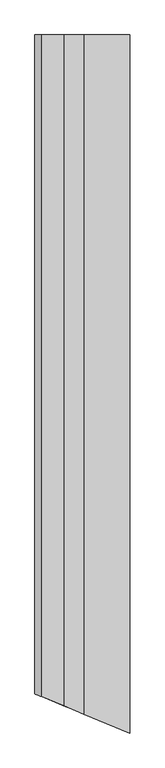
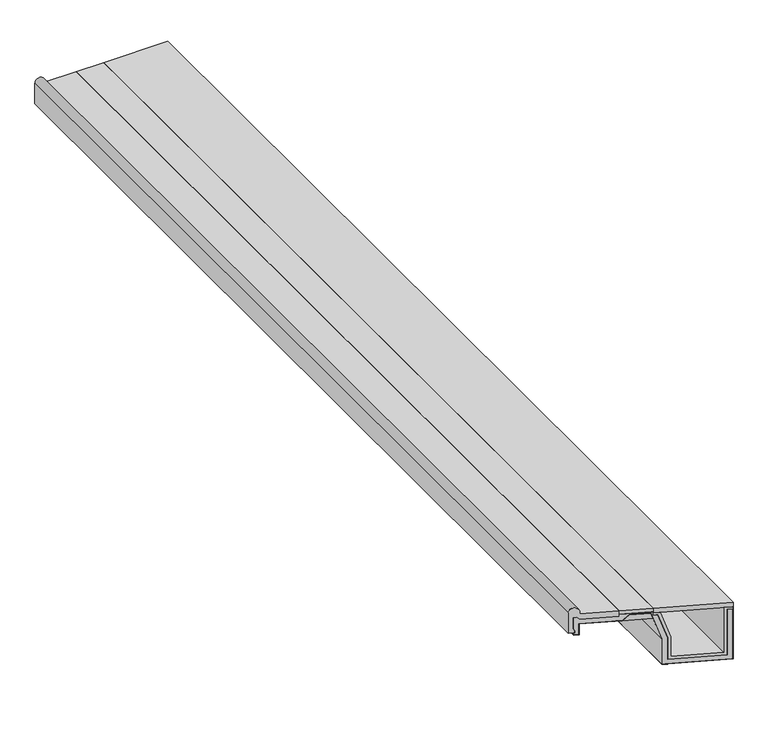
"""IFC4 building model written with IfcOpenShell, lengths in millimetres: proxy geometry."""

from ifc_helpers import new_model, si_unit, frame, origin, place, context, project, spatial, polyline, circle_curve, ellipse_curve, outline, extrude, faceted_brep, source, transform, mapped, element, save
from ifc_brep_helpers import plane_surface, cylinder_surface, advanced_brep


def generic_models_620ab97e(model_context):
    return source(origin(), model_context, "Body", "SolidModel", [
        faceted_brep([(315.0, 2137.917426, 231.0), (300.0, 2137.917426, 231.0), (300.0, 2137.917426, 241.0), (324.4109779, 2137.917426, 241.0), (362.0, 2137.917426, 122.8630733), (362.0, 2137.917426, 33.0), (548.0, 2137.917426, 33.0), (548.0, 2137.917426, 241.0), (580.0, 2137.917426, 241.0), (580.0, 2137.917426, 231.0), (560.0, 2137.917426, 231.0), (560.0, 2137.917426, 21.0), (350.0, 2137.917426, 21.0), (350.0, 2137.917426, 121.0), (315.0, -2027.7366184, 231.0), (300.0, -2021.5234149, 231.0), (300.0, -2021.5234149, 241.0), (324.4109779, -2031.634773, 241.0), (362.0, -2047.2046558, 122.8630733), (362.0, -2047.2046558, 33.0), (548.0, -2124.2483784, 33.0), (548.0, -2124.2483784, 241.0), (580.0, -2137.5032124, 241.0), (580.0, -2137.5032124, 231.0), (560.0, -2129.2189412, 231.0), (560.0, -2129.2189412, 21.0), (350.0, -2042.2340931, 21.0), (350.0, -2042.2340931, 121.0)], [[[0, 1, 2, 3, 4, 5, 6, 7, 8, 9, 10, 11, 12, 13]], [[1, 0, 14, 15]], [[2, 1, 15, 16]], [[3, 2, 16, 17]], [[4, 3, 17, 18]], [[5, 4, 18, 19]], [[6, 5, 19, 20]], [[7, 6, 20, 21]], [[8, 7, 21, 22]], [[9, 8, 22, 23]], [[10, 9, 23, 24]], [[11, 10, 24, 25]], [[12, 11, 25, 26]], [[13, 12, 26, 27]], [[0, 13, 27, 14]], [[15, 14, 27, 26, 25, 24, 23, 22, 21, 20, 19, 18, 17, 16]]]),
        faceted_brep([(298.053516, 2137.917426, 215.0), (290.0989705, 2137.917426, 240.0), (290.0989705, -2017.4222743, 240.0), (298.053516, -2020.7171549, 215.0), (190.4204922, 2137.917426, 215.0), (190.4204922, -1976.1340966, 215.0), (215.4204922, 2137.917426, 240.0), (215.4204922, -1986.4894357, 240.0)], [[[0, 1, 2, 3]], [[4, 0, 3, 5]], [[6, 4, 5, 7]], [[1, 6, 7, 2]], [[3, 2, 7, 5]], [[1, 0, 4, 6]]]),
        faceted_brep([(37.5062786, 2137.917426, 216.0), (37.5062786, 2137.917426, 166.0), (37.5062786, -1912.7949555, 166.0), (37.5062786, -1912.7949555, 216.0), (190.0062786, 2137.917426, 216.0), (190.0062786, -1975.9625238, 216.0), (215.0062786, 2137.917426, 241.0), (215.0062786, -1986.3178628, 241.0), (290.8301884, 2137.917426, 241.0), (290.8301884, -2017.7251546, 241.0), (330.0, 2137.917426, 117.8948778), (330.0, -2033.9498218, 117.8948778), (330.0, 2137.917426, 1.0), (330.0, -2033.9498218, 1.0), (580.0, 2137.917426, 1.0), (580.0, -2137.5032124, 1.0), (580.0, 2137.917426, 241.0), (580.0, -2137.5032124, 241.0), (581.0, 2137.917426, 241.0), (581.0, -2137.917426, 241.0), (581.0, 2137.917426, 0.0), (581.0, -2137.917426, 0.0), (329.0, 2137.917426, 0.0), (329.0, -2033.5356082, 0.0), (329.0, 2137.917426, 117.7396217), (329.0, -2033.5356082, 117.7396217), (290.0989705, 2137.917426, 240.0), (290.0989705, -2017.4222743, 240.0), (215.4204922, 2137.917426, 240.0), (215.4204922, -1986.4894357, 240.0), (190.4204922, 2137.917426, 215.0), (190.4204922, -1976.1340966, 215.0), (38.5062786, 2137.917426, 215.0), (38.5062786, -1913.2091691, 215.0), (38.5062786, 2137.917426, 165.0), (38.5062786, -1913.2091691, 165.0), (20.0, 2137.917426, 165.0), (20.0, -1905.5436175, 165.0), (20.0, 2137.917426, 166.0), (20.0, -1905.5436175, 166.0)], [[[0, 1, 2, 3]], [[4, 0, 3, 5]], [[6, 4, 5, 7]], [[8, 6, 7, 9]], [[10, 8, 9, 11]], [[12, 10, 11, 13]], [[14, 12, 13, 15]], [[16, 14, 15, 17]], [[18, 16, 17, 19]], [[20, 18, 19, 21]], [[22, 20, 21, 23]], [[24, 22, 23, 25]], [[26, 24, 25, 27]], [[28, 26, 27, 29]], [[30, 28, 29, 31]], [[32, 30, 31, 33]], [[34, 32, 33, 35]], [[36, 34, 35, 37]], [[38, 36, 37, 39]], [[1, 38, 39, 2]], [[3, 2, 39, 37, 35, 33, 31, 29, 27, 25, 23, 21, 19, 17, 15, 13, 11, 9, 7, 5]], [[1, 0, 4, 6, 8, 10, 12, 14, 16, 18, 20, 22, 24, 26, 28, 30, 32, 34, 36, 38]]]),
        faceted_brep([(20.0, 2137.917426, 166.0), (37.5062786, 2137.917426, 166.0), (37.5062786, -1912.7949555, 166.0), (20.0, -1905.5436175, 166.0), (20.0, 2137.917426, 176.0), (20.0, -1905.5436175, 176.0), (22.5, 2137.917426, 176.0), (22.5, -1906.5791514, 176.0), (22.5, 2137.917426, 186.0), (22.5, -1906.5791514, 186.0), (17.5062786, 2137.917426, 194.6493791), (17.5062786, -1904.5106843, 194.6493791), (17.5062786, 2137.917426, 246.0), (17.5062786, -1904.5106843, 246.0), (30.0, 2137.917426, 246.0), (30.0, -1909.6857531, 246.0), (40.0, 2137.917426, 236.0), (40.0, -1913.8278887, 236.0), (180.0, 2137.917426, 236.0), (180.0, -1971.8177875, 236.0), (180.0, 2137.917426, 246.0), (180.0, -1971.8177875, 246.0), (300.0, 2137.917426, 246.0), (300.0, -2021.5234149, 246.0), (300.0, 2137.917426, 231.0), (300.0, -2021.5234149, 231.0), (315.0, 2137.917426, 231.0), (315.0, -2027.7366184, 231.0), (350.0, 2137.917426, 121.0), (350.0, -2042.2340931, 121.0), (350.0, 2137.917426, 21.0), (350.0, -2042.2340931, 21.0), (560.0, 2137.917426, 21.0), (560.0, -2129.2189412, 21.0), (560.0, 2137.917426, 231.0), (560.0, -2129.2189412, 231.0), (580.0, 2137.917426, 231.0), (580.0, -2137.5032124, 231.0), (580.0, 2137.917426, 1.0), (580.0, -2137.5032124, 1.0), (330.0, 2137.917426, 1.0), (330.0, -2033.9498218, 1.0), (330.0, 2137.917426, 117.8948778), (330.0, -2033.9498218, 117.8948778), (290.8301884, 2137.917426, 241.0), (290.8301884, -2017.7251546, 241.0), (215.0062786, 2137.917426, 241.0), (215.0062786, -1986.3178628, 241.0), (190.0062786, 2137.917426, 216.0), (190.0062786, -1975.9625238, 216.0), (37.5062786, 2137.917426, 216.0), (37.5062786, -1912.7949555, 216.0)], [[[0, 1, 2, 3]], [[4, 0, 3, 5]], [[6, 4, 5, 7]], [[8, 6, 7, 9]], [[10, 8, 9, 11]], [[12, 10, 11, 13]], [[14, 12, 13, 15]], [[16, 14, 15, 17]], [[18, 16, 17, 19]], [[20, 18, 19, 21]], [[22, 20, 21, 23]], [[24, 22, 23, 25]], [[26, 24, 25, 27]], [[28, 26, 27, 29]], [[30, 28, 29, 31]], [[32, 30, 31, 33]], [[34, 32, 33, 35]], [[36, 34, 35, 37]], [[38, 36, 37, 39]], [[40, 38, 39, 41]], [[42, 40, 41, 43]], [[44, 42, 43, 45]], [[46, 44, 45, 47]], [[48, 46, 47, 49]], [[50, 48, 49, 51]], [[1, 50, 51, 2]], [[3, 2, 51, 49, 47, 45, 43, 41, 39, 37, 35, 33, 31, 29, 27, 25, 23, 21, 19, 17, 15, 13, 11, 9, 7, 5]], [[1, 0, 4, 6, 8, 10, 12, 14, 16, 18, 20, 22, 24, 26, 28, 30, 32, 34, 36, 38, 40, 42, 44, 46, 48, 50]]]),
        extrude(outline(polyline([(180.0, 2137.917426), (300.0, 2137.917426), (300.0, -2021.5234149), (180.0, -1971.8177875), (180.0, 2137.917426)])), frame((0.0, 0.0, 246.0), z_axis=(0.0, 0.0, 1.0), x_axis=(1.0, 0.0, 0.0)), (0.0, 0.0, 1.0), 15.0),
        faceted_brep([(300.0, -2021.5234149, 261.0), (300.0, 2137.917426, 261.0), (300.0, 2137.917426, 241.0), (300.0, -2021.5234149, 241.0), (581.0, 2137.917426, 261.0), (581.0, -2137.917426, 261.0), (581.0, -2137.917426, 241.0), (581.0, 2137.917426, 241.0)], [[[0, 1, 2, 3]], [[4, 1, 0, 5]], [[5, 0, 3, 6]], [[7, 4, 5, 6]], [[7, 6, 3, 2]], [[4, 7, 2, 1]]]),
        advanced_brep(
        [(180.0, 2137.917426, 261.0), (40.0, 2137.917426, 261.0), (40.0, -1913.8278887, 261.0), (180.0, -1971.8177875, 261.0), (180.0, 2137.917426, 236.0), (180.0, -1971.8177875, 236.0), (40.0, 2137.917426, 236.0), (40.0, -1913.8278887, 236.0), (30.0, 2137.917426, 246.0), (30.0, -1909.6857531, 246.0), (17.5062786, 2137.917426, 246.0), (17.5062786, -1904.5106843, 246.0), (17.5062786, 2137.917426, 194.6493791), (17.5062786, -1904.5106843, 194.6493791), (22.5, 2137.917426, 186.0), (22.5, -1906.5791514, 186.0), (22.5, 2137.917426, 176.0), (22.5, -1906.5791514, 176.0), (0.0, 2137.917426, 176.0), (0.0, -1897.2593462, 176.0), (0.0, 2137.917426, 271.0), (0.0, -1897.2593462, 271.0), (40.0, 2137.917426, 271.0), (20.0, -1905.5436175, 291.0), (40.0, -1913.8278887, 271.0)],
        [
            (0, 1),
            (1, 2),
            (2, 3),
            (3, 0),
            (4, 0),
            (3, 5),
            (5, 4),
            (6, 4),
            (5, 7),
            (7, 6),
            (8, 6),
            (7, 9),
            (9, 8),
            (10, 8),
            (9, 11),
            (11, 10),
            (12, 10),
            (11, 13),
            (13, 12),
            (14, 12),
            (13, 15),
            (15, 14),
            (16, 14),
            (15, 17),
            (17, 16),
            (18, 16),
            (17, 19),
            (19, 18),
            (20, 18),
            (19, 21),
            (21, 20),
            (22, 20, circle_curve(frame((20.0, 2137.917426, 271.0), z_axis=(0.0, -1.0, 0.0), x_axis=(1.0, 0.0, 0.0)), 20.0)),
            (21, 23, ellipse_curve(frame((20.0, -1905.5436175, 271.0), z_axis=(0.38268343236508917, 0.923879532511287, 0.0), x_axis=(-0.923879532511287, 0.3826834323650893, 0.0)), 21.647844, 20.0)),
            (23, 24, ellipse_curve(frame((20.0, -1905.5436175, 271.0), z_axis=(0.38268343236508917, 0.923879532511287, 0.0), x_axis=(-0.923879532511287, 0.3826834323650893, 0.0)), 21.647844, 20.0)),
            (24, 22),
            (1, 22),
            (24, 2),
        ],
        [
            plane_surface(frame((40.0, 2137.917426, 261.0), z_axis=(0.0, 0.0, 1.0), x_axis=(0.0, -1.0, 0.0))),
            plane_surface(frame((180.0, 2137.917426, 261.0), z_axis=(1.0, 0.0, 0.0), x_axis=(0.0, -1.0, 0.0))),
            plane_surface(frame((180.0, 2137.917426, 236.0), z_axis=(0.0, 0.0, -1.0), x_axis=(0.0, -1.0, 0.0))),
            plane_surface(frame((40.0, 2137.917426, 236.0), z_axis=(-0.7071067811865495, 0.0, -0.7071067811865456), x_axis=(0.0, -1.0, 0.0))),
            plane_surface(frame((30.0, 2137.917426, 246.0), z_axis=(0.0, 0.0, -1.0), x_axis=(0.0, -1.0, 0.0))),
            plane_surface(frame((17.5062786, 2137.917426, 246.0), z_axis=(1.0, 0.0, 0.0), x_axis=(0.0, -1.0, 0.0))),
            plane_surface(frame((17.5062786, 2137.917426, 194.6493791), z_axis=(0.8660254037844389, 0.0, 0.4999999999999996), x_axis=(0.0, -1.0, 0.0))),
            plane_surface(frame((22.5, 2137.917426, 186.0), z_axis=(1.0, 0.0, 0.0), x_axis=(0.0, -1.0, 0.0))),
            plane_surface(frame((22.5, 2137.917426, 176.0), z_axis=(0.0, 0.0, -1.0), x_axis=(0.0, -1.0, 0.0))),
            plane_surface(frame((0.0, 2137.917426, 176.0), z_axis=(-1.0, 0.0, 0.0), x_axis=(0.0, -1.0, 0.0))),
            cylinder_surface(frame((20.0, 2137.917426, 271.0), z_axis=(0.0, 1.0, 0.0), x_axis=(1.0, 0.0, 0.0)), 20.0),
            plane_surface(frame((40.0, 2137.917426, 271.0), z_axis=(1.0, 0.0, 0.0), x_axis=(0.0, -1.0, 0.0))),
            plane_surface(frame((581.0, -2137.917426, 291.0), z_axis=(-0.38268343236508917, -0.923879532511287, 0.0), x_axis=(0.0, 0.0, -1.0))),
            plane_surface(frame((0.0, 2137.917426, 0.0), z_axis=(0.0, 1.0, 0.0), x_axis=(0.0, 0.0, 1.0))),
        ],
        [
            (0, [[1, 2, 3, 4]]),
            (1, [[5, -4, 6, 7]]),
            (2, [[8, -7, 9, 10]]),
            (3, [[11, -10, 12, 13]]),
            (4, [[14, -13, 15, 16]]),
            (5, [[17, -16, 18, 19]]),
            (6, [[20, -19, 21, 22]]),
            (7, [[23, -22, 24, 25]]),
            (8, [[26, -25, 27, 28]]),
            (9, [[29, -28, 30, 31]]),
            (10, [[32, -31, 33, 34, 35]]),
            (11, [[36, -35, 37, -2]]),
            (12, [[-3, -37, -34, -33, -30, -27, -24, -21, -18, -15, -12, -9, -6]]),
            (13, [[-1, -5, -8, -11, -14, -17, -20, -23, -26, -29, -32, -36]]),
        ],
    ),
    ])


if __name__ == "__main__":
    model = new_model("IFC4")
    model_context = context("Model", 3, world=origin())
    ifc_project = project(units=[si_unit("LENGTHUNIT", "METRE", prefix="MILLI")], contexts=[model_context])
    site = spatial("IfcSite", under=ifc_project)
    building = spatial("IfcBuilding", under=site)
    placement = place(None, origin())
    generic_models_shape = generic_models_620ab97e(model_context)
    element("IfcBuildingElementProxy", 1, Name="Generic Models", at=placement, inside=building, context=model_context, shape_type="MappedRepresentation", body=[
        mapped(generic_models_shape, transform((0.0, 0.0, 0.0), x_axis=(1.0, 0.0, 0.0), y_axis=(0.0, 1.0, 0.0), z_axis=(0.0, 0.0, 1.0))),
    ])
    save(model, "model.ifc")
